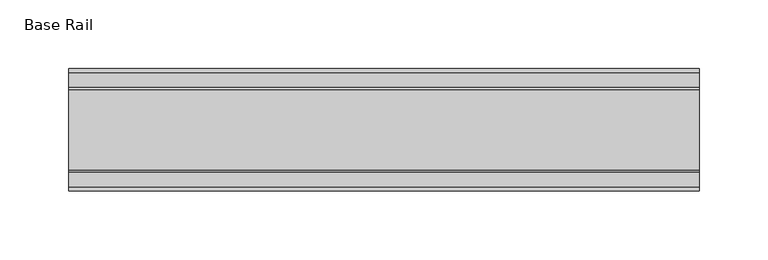
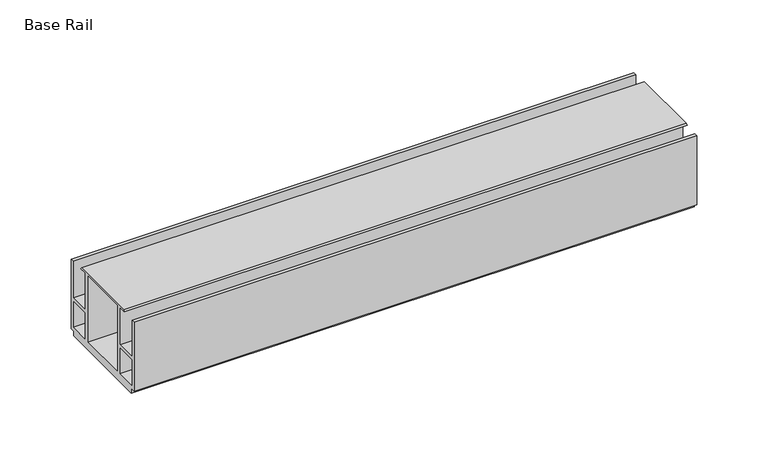
"""IFC4 building model written with IfcOpenShell, lengths in millimetres: furniture geometry, Base Rail."""

from ifc_helpers import new_model, si_unit, frame, origin, place, context, project, spatial, polyline, outline, extrude, source, transform, mapped, element, save


def base_rail_7b167868(model_context):
    return source(origin(), model_context, "Body", "SweptSolid", [
        extrude(outline(polyline([(-28.948195, 4.0000001), (-28.948195, 63.5), (-26.1481963, 63.5), (-26.1481963, 32.0000002), (-9.1450707, 32.0000002), (-9.1450707, 29.4000001), (-26.1481963, 29.4000001), (-26.1481963, 6.6000002), (-8.7481957, 6.6000002), (-8.7481957, 63.5), (-5.4481956, 63.5), (-5.4481956, 6.6000002), (36.4518057, 6.6000002), (36.4518057, 63.9424102), (-15.1141535, 63.9424102), (-13.9690637, 65.0875), (44.9726737, 65.0875), (46.1177636, 63.9424102), (39.7518058, 63.9424102), (39.7518058, 6.6000002), (57.1518064, 6.6000002), (57.1518064, 29.4000001), (40.1486808, 29.4000001), (40.1486808, 32.0000002), (57.1518064, 32.0000002), (57.1518064, 63.5), (59.951805, 63.5), (59.951805, 4.0000001), (55.9518063, 4.0000001), (55.9518063, 0.0), (-24.9481962, 0.0), (-24.9481962, 4.0000001), (-28.948195, 4.0000001)])), frame((-198.6228469, 0.0, 0.0), z_axis=(1.0, 0.0, 0.0), x_axis=(0.0, 1.0, 0.0)), (0.0, 0.0, 1.0), 457.2),
    ])


if __name__ == "__main__":
    model = new_model("IFC4")
    model_context = context("Model", 3, world=origin())
    ifc_project = project(units=[si_unit("LENGTHUNIT", "METRE", prefix="MILLI")], contexts=[model_context])
    site = spatial("IfcSite", under=ifc_project)
    building = spatial("IfcBuilding", under=site)
    placement = place(None, origin())
    base_rail_shape = base_rail_7b167868(model_context)
    element("IfcFurniture", 1, ObjectType="Base Rail", at=placement, inside=building, context=model_context, shape_type="MappedRepresentation", body=[
        mapped(base_rail_shape, transform((0.0, 0.0, 0.0), x_axis=(1.0, 0.0, 0.0), y_axis=(0.0, 1.0, 0.0), z_axis=(0.0, 0.0, 1.0))),
    ])
    save(model, "model.ifc")
